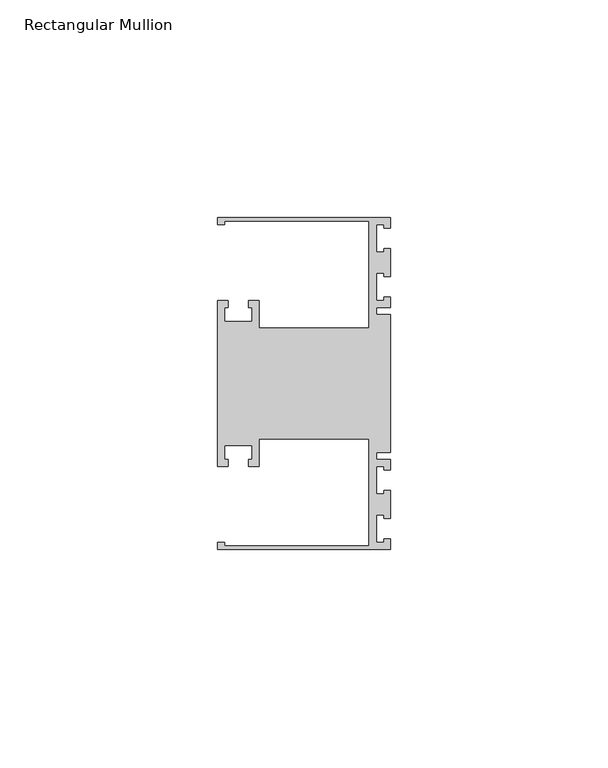
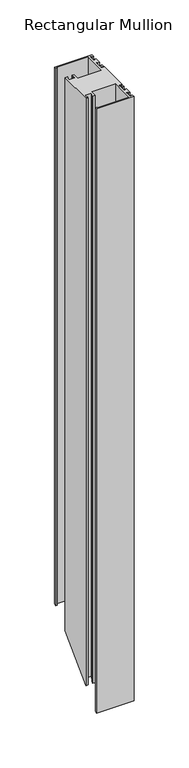
"""IFC4 building model written with IfcOpenShell, lengths in millimetres: member geometry, Rectangular Mullion."""

import ifcopenshell
import ifcopenshell.guid

model = None  # the IFC model being written
_history = None  # IfcOwnerHistory: only IFC2X3 demands one
_inside = {}  # id of a spatial element -> (the spatial element, [elements in it])
_under = {}  # id of a project, library or spatial element -> (it, [spatial elements below it])
_declared = {}  # id of a project -> (the project, [libraries it declares])
_typed = {}  # id of a type object -> (the type object, [elements of that type])
_made_of = {}  # id of a material, layer set ... -> (it, [elements and type objects made of it])


def new_model(schema):
    """Start an empty IFC model of exactly this schema.

    Asked for "IFC4X3", IfcOpenShell would pick the latest addendum, in which some entities
    have other attributes; the version numbers below select the first issue.
    IFC2X3 requires an IfcOwnerHistory on every rooted entity: one is made here for all.
    """
    global model, _history
    if schema == "IFC4X3":
        model = ifcopenshell.file(schema_version=(4, 3, 0, 0))
    else:
        model = ifcopenshell.file(schema=schema)
    _inside.clear()
    _under.clear()
    _declared.clear()
    _typed.clear()
    _made_of.clear()
    _history = None
    if model.schema == "IFC2X3":
        org = make("IfcOrganization", Name="unknown")
        user = make(
            "IfcPersonAndOrganization",
            ThePerson=make("IfcPerson", FamilyName="unknown"),
            TheOrganization=org,
        )
        app = make(
            "IfcApplication",
            ApplicationDeveloper=org,
            Version="unknown",
            ApplicationFullName="unknown",
            ApplicationIdentifier="unknown",
        )
        _history = make(
            "IfcOwnerHistory",
            OwningUser=user,
            OwningApplication=app,
            ChangeAction="ADDED",
            CreationDate=0,
        )
    return model


def make(cls, **values):
    """One entity of the class cls with the attributes given. An attribute that is None is left unset."""
    return model.create_entity(
        cls, **{name: value for name, value in values.items() if value is not None}
    )


def rooted(cls, **values):
    """An entity with a GlobalId (a new one), such as an element, a storey or a relation."""
    return make(cls, GlobalId=ifcopenshell.guid.new(), OwnerHistory=_history, **values)


def si_unit(unit_type, name, prefix=None):
    """IfcSIUnit, for example si_unit("LENGTHUNIT", "METRE", prefix="MILLI")."""
    return make("IfcSIUnit", UnitType=unit_type, Prefix=prefix, Name=name)


def assignment(units):
    """IfcUnitAssignment: the units of a project."""
    return None if units is None else make("IfcUnitAssignment", Units=units)


def point(xyz):
    """IfcCartesianPoint."""
    return None if xyz is None else make("IfcCartesianPoint", Coordinates=xyz)


def direction(xyz):
    """IfcDirection."""
    return None if xyz is None else make("IfcDirection", DirectionRatios=xyz)


def frame(location, z_axis=None, x_axis=None):
    """IfcAxis2Placement3D, a coordinate frame: its origin and axes. An axis left out is left unset."""
    return make(
        "IfcAxis2Placement3D",
        Location=point(location),
        Axis=direction(z_axis),
        RefDirection=direction(x_axis),
    )


def origin():
    """The frame at (0, 0, 0) with its axes left unset."""
    return frame((0.0, 0.0, 0.0))


def place(relative_to, where):
    """IfcLocalPlacement: puts the frame where relative to a parent placement (None: the world)."""
    return make(
        "IfcLocalPlacement", PlacementRelTo=relative_to, RelativePlacement=where
    )


def context(
    kind, dimensions, precision=None, world=None, true_north=None, identifier=None
):
    """IfcGeometricRepresentationContext, for example the 3D "Model" context."""
    return make(
        "IfcGeometricRepresentationContext",
        ContextIdentifier=identifier,
        ContextType=kind,
        CoordinateSpaceDimension=dimensions,
        Precision=precision,
        WorldCoordinateSystem=world,
        TrueNorth=true_north,
    )


def project(units=None, contexts=None):
    """IfcProject with its units and contexts."""
    return rooted(
        "IfcProject",
        Name="project",
        RepresentationContexts=contexts,
        UnitsInContext=assignment(units),
    )


def spatial(cls, under=None, at=None, **own):
    """A site, building, storey or space (cls), placed at a placement, below another one or the project."""
    s = rooted(cls, ObjectPlacement=at, **own)
    if under is not None:
        _under.setdefault(under.id(), (under, []))[1].append(s)
    return s


def faces_of(points, faces, orient=None, outer=None):
    """IfcFace entities. A face is a list of loops; a loop is a list of indices into points, from 0.

    orient and outer hold one flag for each loop. By default every Orientation is true, the
    first loop of a face is its IfcFaceOuterBound and the others are IfcFaceBound.
    """
    made = []
    for i, loops in enumerate(faces):
        bounds = []
        for j, loop in enumerate(loops):
            is_outer = j == 0 if outer is None else outer[i][j]
            bounds.append(
                make(
                    "IfcFaceOuterBound" if is_outer else "IfcFaceBound",
                    Bound=make("IfcPolyLoop", Polygon=[points[k] for k in loop]),
                    Orientation=True if orient is None else orient[i][j],
                )
            )
        made.append(make("IfcFace", Bounds=bounds))
    return made


def faceted_brep(points, faces, orient=None, outer=None, voids=None):
    """IfcFacetedBrep: a solid bounded by flat faces; with voids (closed shells), ...WithVoids."""
    shared = [point(p) for p in points]
    hull = make("IfcClosedShell", CfsFaces=faces_of(shared, faces, orient, outer))
    if voids is None:
        return make("IfcFacetedBrep", Outer=hull)
    return make(
        "IfcFacetedBrepWithVoids",
        Outer=hull,
        Voids=[
            make(cls, CfsFaces=faces_of(shared, fs, o, b)) for cls, fs, o, b in voids
        ],
    )


def shape(context_of_items, identifier, shape_type, items):
    """IfcShapeRepresentation: the items that make up one representation, for example the "Body"."""
    return make(
        "IfcShapeRepresentation",
        ContextOfItems=context_of_items,
        RepresentationIdentifier=identifier,
        RepresentationType=shape_type,
        Items=items,
    )


def source(mapping_origin, context_of_items, identifier, shape_type, items):
    """IfcRepresentationMap: a shape defined once, which mapped items show again and again."""
    return make(
        "IfcRepresentationMap",
        MappingOrigin=mapping_origin,
        MappedRepresentation=shape(context_of_items, identifier, shape_type, items),
    )


def transform(
    local_origin,
    x_axis=None,
    y_axis=None,
    z_axis=None,
    scale=None,
    scale2=None,
    scale3=None,
    uniform=True,
):
    """IfcCartesianTransformationOperator3D, or its non-uniform kind. x_axis, y_axis, z_axis: its Axis1, 2, 3."""
    if uniform:
        return make(
            "IfcCartesianTransformationOperator3D",
            Axis1=direction(x_axis),
            Axis2=direction(y_axis),
            LocalOrigin=point(local_origin),
            Scale=scale,
            Axis3=direction(z_axis),
        )
    return make(
        "IfcCartesianTransformationOperator3DnonUniform",
        Axis1=direction(x_axis),
        Axis2=direction(y_axis),
        LocalOrigin=point(local_origin),
        Scale=scale,
        Axis3=direction(z_axis),
        Scale2=scale2,
        Scale3=scale3,
    )


def mapped(mapping_source, mapping_target):
    """IfcMappedItem: shows the shape of a source again, moved by a transform."""
    return make(
        "IfcMappedItem", MappingSource=mapping_source, MappingTarget=mapping_target
    )


def made_of(thing, what):
    """Note that an element or type object is made of a material, layer set ...; save() writes the relation."""
    if what is not None:
        _made_of.setdefault(what.id(), (what, []))[1].append(thing)
    return thing


def element(
    cls,
    number,
    at=None,
    inside=None,
    cuts=None,
    type_object=None,
    material=None,
    context=None,
    identifier="Body",
    shape_type=None,
    held_by="IfcProductDefinitionShape",
    body=None,
    shapes=None,
    **own,
):
    """One element of the class cls, such as IfcWall. Its Tag is "e" and its number.

    at: its placement. inside: the storey or other place that contains it. cuts: it is an
    opening in that element (IfcRelVoidsElement). A single representation is given by context,
    identifier, shape_type and body (its items); several are given by shapes. held_by: the class
    of the entity that holds the representations. save() writes the other relations.
    """
    e = rooted(cls, Tag="e%d" % number, ObjectPlacement=at, **own)
    if body is not None:
        shapes = [shape(context, identifier, shape_type, body)]
    if shapes is not None:
        e.Representation = make(held_by, Representations=shapes)
    if inside is not None:
        _inside.setdefault(inside.id(), (inside, []))[1].append(e)
    if cuts is not None:
        rooted(
            "IfcRelVoidsElement", RelatingBuildingElement=cuts, RelatedOpeningElement=e
        )
    if type_object is not None:
        _typed.setdefault(type_object.id(), (type_object, []))[1].append(e)
    return made_of(e, material)


def aggregate(whole, parts):
    """IfcRelAggregates: a whole, such as a stair, and the parts it consists of."""
    return rooted("IfcRelAggregates", RelatingObject=whole, RelatedObjects=parts)


def save(model, path):
    """Write the relations noted so far, then the file.

    IfcRelAggregates (storeys below a building ...), IfcRelContainedInSpatialStructure (elements
    in a storey), IfcRelDefinesByType, IfcRelAssociatesMaterial and IfcRelDeclares: one each for
    every whole, place, type object, material and project.
    """
    for whole, parts in _under.values():
        aggregate(whole, parts)
    for where, things in _inside.values():
        rooted(
            "IfcRelContainedInSpatialStructure",
            RelatedElements=things,
            RelatingStructure=where,
        )
    for kind, things in _typed.values():
        rooted("IfcRelDefinesByType", RelatedObjects=things, RelatingType=kind)
    for what, things in _made_of.values():
        rooted("IfcRelAssociatesMaterial", RelatedObjects=things, RelatingMaterial=what)
    for by, libraries in _declared.values():
        rooted("IfcRelDeclares", RelatingContext=by, RelatedDefinitions=libraries)
    model.write(path)


def rectangular_mullion_3701112f(model_context):
    return source(origin(), model_context, "Body", "Brep", [
        faceted_brep([(0.0, -38.1, 0.0), (0.0, -35.71875, 0.0), (-1.4999946, -35.71875, 0.0), (-1.4999946, -36.5125, 0.0), (-3.175, -36.5125, 0.0), (-3.175, -30.1625, 0.0), (-1.4999946, -30.1625, 0.0), (-1.4999946, -30.95625, 0.0), (0.0, -30.95625, 0.0), (0.0, -24.60625, 0.0), (-1.4999946, -24.60625, 0.0), (-1.4999946, -25.4, 0.0), (-3.175, -25.4, 0.0), (-3.175, -19.05, 0.0), (-1.4999946, -19.05, 0.0), (-1.4999946, -19.84375, 0.0), (0.0, -19.84375, 0.0), (0.0, -17.4625, 0.0), (-3.175, -17.4625, 0.0), (-3.175, -15.875, 0.0), (0.0, -15.875, 0.0), (0.0, 15.875, 0.0), (-3.175, 15.875, 0.0), (-3.175, 17.4625, 0.0), (0.0, 17.4625, 0.0), (0.0, 19.84375, 0.0), (-1.4999946, 19.84375, 0.0), (-1.4999946, 19.05, 0.0), (-3.175, 19.05, 0.0), (-3.175, 25.4, 0.0), (-1.4999946, 25.4, 0.0), (-1.4999946, 24.60625, 0.0), (0.0, 24.60625, 0.0), (0.0, 30.95625, 0.0), (-1.4999946, 30.95625, 0.0), (-1.4999946, 30.1625, 0.0), (-3.175, 30.1625, 0.0), (-3.175, 36.5125, 0.0), (-1.4999946, 36.5125, 0.0), (-1.4999946, 35.71875, 0.0), (0.0, 35.71875, 0.0), (0.0, 38.1, 0.0), (-39.6875, 38.1, 0.0), (-39.6875, 36.5125, 0.0), (-38.1, 36.5125, 0.0), (-38.1, 37.30625, 0.0), (-4.8585733, 37.30625, 0.0), (-4.8585733, 12.6999969, 0.0), (-30.1625, 12.6999969, 0.0), (-30.1625, 19.05, 0.0), (-32.54375, 19.05, 0.0), (-32.54375, 17.4625, 0.0), (-31.75, 17.4625, 0.0), (-31.75, 14.2875, 0.0), (-38.1, 14.2875, 0.0), (-38.1, 17.4625, 0.0), (-37.30625, 17.4625, 0.0), (-37.30625, 19.05, 0.0), (-39.6875, 19.05, 0.0), (-39.6875, -19.05, 0.0), (-37.30625, -19.05, 0.0), (-37.30625, -17.4625, 0.0), (-38.1, -17.4625, 0.0), (-38.1, -14.2875, 0.0), (-31.75, -14.2875, 0.0), (-31.75, -17.4625, 0.0), (-32.54375, -17.4625, 0.0), (-32.54375, -19.05, 0.0), (-30.1625, -19.05, 0.0), (-30.1625, -12.6999969, 0.0), (-4.8585733, -12.6999969, 0.0), (-4.8585733, -37.30625, 0.0), (-38.1, -37.30625, 0.0), (-38.1, -36.5125, 0.0), (-39.6875, -36.5125, 0.0), (-39.6875, -38.1, 0.0), (0.0, -38.1, -673.1), (0.0, -35.71875, -670.71875), (-1.4999946, -35.71875, -670.71875), (-1.4999946, -36.5125, -671.5125), (-3.175, -36.5125, -671.5125), (-3.175, -30.1625, -665.1625), (-1.4999946, -30.1625, -665.1625), (-1.4999946, -30.95625, -665.95625), (0.0, -30.95625, -665.95625), (0.0, -24.60625, -659.60625), (-1.4999946, -24.60625, -659.60625), (-1.4999946, -25.4, -660.4), (-3.175, -25.4, -660.4), (-3.175, -19.05, -654.05), (-1.4999946, -19.05, -654.05), (-1.4999946, -19.84375, -654.84375), (0.0, -19.84375, -654.84375), (0.0, -17.4625, -652.4625), (-3.175, -17.4625, -652.4625), (-3.175, -15.875, -650.875), (0.0, -15.875, -650.875), (0.0, 15.875, -619.125), (-3.175, 15.875, -619.125), (-3.175, 17.4625, -617.5375), (0.0, 17.4625, -617.5375), (0.0, 19.84375, -615.15625), (-1.4999946, 19.84375, -615.15625), (-1.4999946, 19.05, -615.95), (-3.175, 19.05, -615.95), (-3.175, 25.4, -609.6), (-1.4999946, 25.4, -609.6), (-1.4999946, 24.60625, -610.39375), (0.0, 24.60625, -610.39375), (0.0, 30.95625, -604.04375), (-1.4999946, 30.95625, -604.04375), (-1.4999946, 30.1625, -604.8375), (-3.175, 30.1625, -604.8375), (-3.175, 36.5125, -598.4875), (-1.4999946, 36.5125, -598.4875), (-1.4999946, 35.71875, -599.28125), (0.0, 35.71875, -599.28125), (0.0, 38.1, -596.9), (-39.6875, 38.1, -596.9), (-39.6875, 36.5125, -598.4875), (-38.1, 36.5125, -598.4875), (-38.1, 37.30625, -597.69375), (-4.8585733, 37.30625, -597.69375), (-4.8585733, 12.6999969, -622.3000031), (-30.1625, 12.6999969, -622.3000031), (-30.1625, 19.05, -615.95), (-32.54375, 19.05, -615.95), (-32.54375, 17.4625, -617.5375), (-31.75, 17.4625, -617.5375), (-31.75, 14.2875, -620.7125), (-38.1, 14.2875, -620.7125), (-38.1, 17.4625, -617.5375), (-37.30625, 17.4625, -617.5375), (-37.30625, 19.05, -615.95), (-39.6875, 19.05, -615.95), (-39.6875, -19.05, -654.05), (-37.30625, -19.05, -654.05), (-37.30625, -17.4625, -652.4625), (-38.1, -17.4625, -652.4625), (-38.1, -14.2875, -649.2875), (-31.75, -14.2875, -649.2875), (-31.75, -17.4625, -652.4625), (-32.54375, -17.4625, -652.4625), (-32.54375, -19.05, -654.05), (-30.1625, -19.05, -654.05), (-30.1625, -12.6999969, -647.6999969), (-4.8585733, -12.6999969, -647.6999969), (-4.8585733, -37.30625, -672.30625), (-38.1, -37.30625, -672.30625), (-38.1, -36.5125, -671.5125), (-39.6875, -36.5125, -671.5125), (-39.6875, -38.1, -673.1)], [[[0, 1, 2, 3, 4, 5, 6, 7, 8, 9, 10, 11, 12, 13, 14, 15, 16, 17, 18, 19, 20, 21, 22, 23, 24, 25, 26, 27, 28, 29, 30, 31, 32, 33, 34, 35, 36, 37, 38, 39, 40, 41, 42, 43, 44, 45, 46, 47, 48, 49, 50, 51, 52, 53, 54, 55, 56, 57, 58, 59, 60, 61, 62, 63, 64, 65, 66, 67, 68, 69, 70, 71, 72, 73, 74, 75]], [[1, 0, 76, 77]], [[2, 1, 77, 78]], [[3, 2, 78, 79]], [[4, 3, 79, 80]], [[5, 4, 80, 81]], [[6, 5, 81, 82]], [[7, 6, 82, 83]], [[8, 7, 83, 84]], [[9, 8, 84, 85]], [[10, 9, 85, 86]], [[11, 10, 86, 87]], [[12, 11, 87, 88]], [[13, 12, 88, 89]], [[14, 13, 89, 90]], [[15, 14, 90, 91]], [[16, 15, 91, 92]], [[17, 16, 92, 93]], [[18, 17, 93, 94]], [[19, 18, 94, 95]], [[20, 19, 95, 96]], [[21, 20, 96, 97]], [[22, 21, 97, 98]], [[23, 22, 98, 99]], [[24, 23, 99, 100]], [[25, 24, 100, 101]], [[26, 25, 101, 102]], [[27, 26, 102, 103]], [[28, 27, 103, 104]], [[29, 28, 104, 105]], [[30, 29, 105, 106]], [[31, 30, 106, 107]], [[32, 31, 107, 108]], [[33, 32, 108, 109]], [[34, 33, 109, 110]], [[35, 34, 110, 111]], [[36, 35, 111, 112]], [[37, 36, 112, 113]], [[38, 37, 113, 114]], [[39, 38, 114, 115]], [[40, 39, 115, 116]], [[41, 40, 116, 117]], [[42, 41, 117, 118]], [[43, 42, 118, 119]], [[44, 43, 119, 120]], [[45, 44, 120, 121]], [[46, 45, 121, 122]], [[47, 46, 122, 123]], [[48, 47, 123, 124]], [[49, 48, 124, 125]], [[50, 49, 125, 126]], [[51, 50, 126, 127]], [[52, 51, 127, 128]], [[53, 52, 128, 129]], [[54, 53, 129, 130]], [[55, 54, 130, 131]], [[56, 55, 131, 132]], [[57, 56, 132, 133]], [[58, 57, 133, 134]], [[59, 58, 134, 135]], [[60, 59, 135, 136]], [[61, 60, 136, 137]], [[62, 61, 137, 138]], [[63, 62, 138, 139]], [[64, 63, 139, 140]], [[65, 64, 140, 141]], [[66, 65, 141, 142]], [[67, 66, 142, 143]], [[68, 67, 143, 144]], [[69, 68, 144, 145]], [[70, 69, 145, 146]], [[71, 70, 146, 147]], [[72, 71, 147, 148]], [[73, 72, 148, 149]], [[74, 73, 149, 150]], [[75, 74, 150, 151]], [[0, 75, 151, 76]], [[76, 151, 150, 149, 148, 147, 146, 145, 144, 143, 142, 141, 140, 139, 138, 137, 136, 135, 134, 133, 132, 131, 130, 129, 128, 127, 126, 125, 124, 123, 122, 121, 120, 119, 118, 117, 116, 115, 114, 113, 112, 111, 110, 109, 108, 107, 106, 105, 104, 103, 102, 101, 100, 99, 98, 97, 96, 95, 94, 93, 92, 91, 90, 89, 88, 87, 86, 85, 84, 83, 82, 81, 80, 79, 78, 77]]]),
    ])


if __name__ == "__main__":
    model = new_model("IFC4")
    model_context = context("Model", 3, world=origin())
    ifc_project = project(units=[si_unit("LENGTHUNIT", "METRE", prefix="MILLI")], contexts=[model_context])
    site = spatial("IfcSite", under=ifc_project)
    building = spatial("IfcBuilding", under=site)
    placement = place(None, origin())
    rectangular_mullion_shape = rectangular_mullion_3701112f(model_context)
    element("IfcMember", 1, ObjectType="Rectangular Mullion", at=placement, inside=building, context=model_context, shape_type="MappedRepresentation", body=[
        mapped(rectangular_mullion_shape, transform((0.0, 0.0, 0.0), x_axis=(1.0, 0.0, 0.0), y_axis=(0.0, 1.0, 0.0), z_axis=(0.0, 0.0, 1.0))),
    ])
    save(model, "model.ifc")
